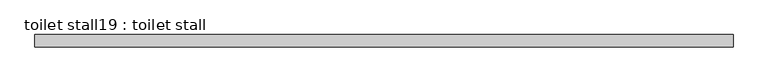
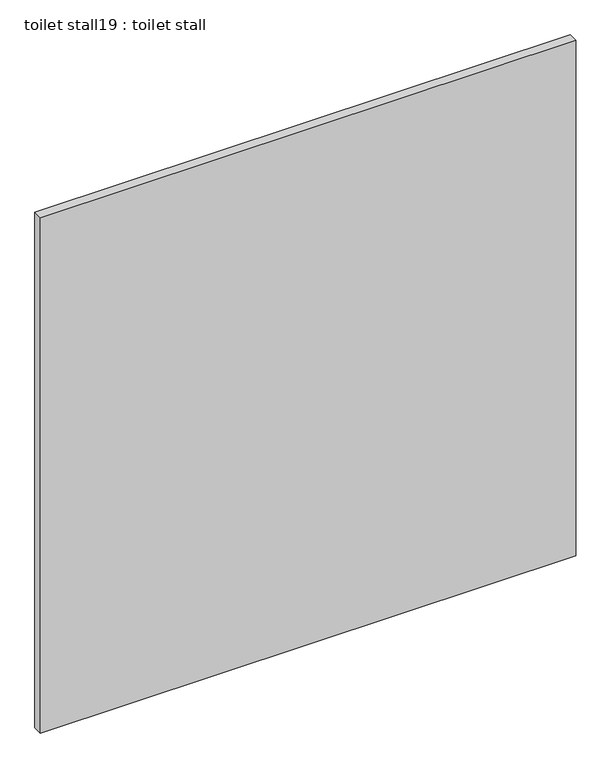
"""IFC4 building model written with IfcOpenShell, lengths in millimetres: proxy geometry, toilet stall19 : toilet stall."""

from ifc_helpers import new_model, si_unit, frame, origin, place, context, project, spatial, polyline, outline, extrude, source, transform, mapped, element, save


def toilet_stall19_toilet_stall_8c0d1ace(model_context):
    return source(origin(), model_context, "Body", "SweptSolid", [
        extrude(outline(polyline([(458233.2504676, -269693.2113632), (456785.4504676, -269693.2113632), (456785.4504676, -269667.8113632), (458233.2504676, -269667.8113632), (458233.2504676, -269693.2113632)])), frame((0.0, 0.0, 304.8), z_axis=(0.0, 0.0, 1.0), x_axis=(1.0, 0.0, 0.0)), (0.0, 0.0, 1.0), 1473.2),
    ])


if __name__ == "__main__":
    model = new_model("IFC4")
    model_context = context("Model", 3, world=origin())
    ifc_project = project(units=[si_unit("LENGTHUNIT", "METRE", prefix="MILLI")], contexts=[model_context])
    site = spatial("IfcSite", under=ifc_project)
    building = spatial("IfcBuilding", under=site)
    placement = place(None, origin())
    toilet_stall19_toilet_stall_shape = toilet_stall19_toilet_stall_8c0d1ace(model_context)
    element("IfcBuildingElementProxy", 1, Name="toilet stall19 : toilet stall", ObjectType="toilet stall19 : toilet stall", at=placement, inside=building, context=model_context, shape_type="MappedRepresentation", body=[
        mapped(toilet_stall19_toilet_stall_shape, transform((0.0, 0.0, 0.0), x_axis=(1.0, 0.0, 0.0), y_axis=(0.0, 1.0, 0.0), z_axis=(0.0, 0.0, 1.0))),
    ])
    save(model, "model.ifc")
